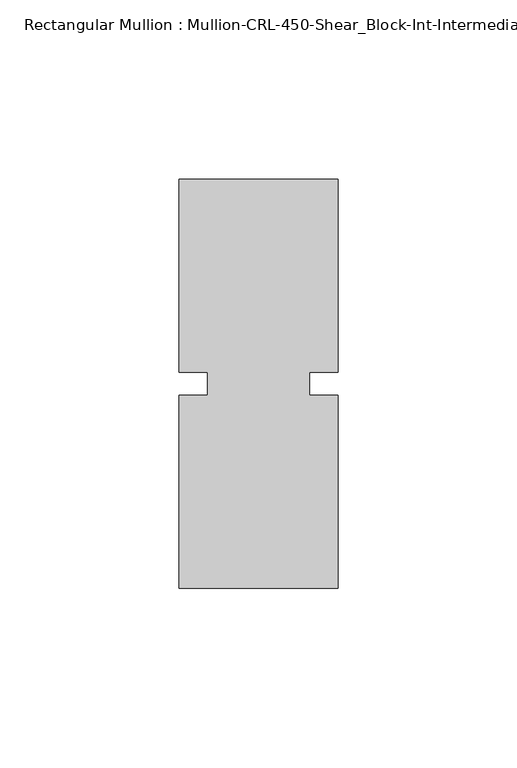
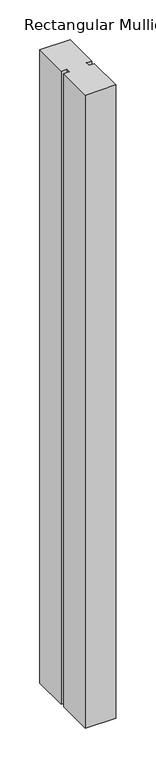
"""IFC4 building model written with IfcOpenShell, lengths in millimetres: member geometry, Rectangular Mullion : Mullion-CRL-450-Shear_Block-Int-Intermediate_Horizontal."""

import ifcopenshell
import ifcopenshell.guid

model = None  # the IFC model being written
_history = None  # IfcOwnerHistory: only IFC2X3 demands one
_inside = {}  # id of a spatial element -> (the spatial element, [elements in it])
_under = {}  # id of a project, library or spatial element -> (it, [spatial elements below it])
_declared = {}  # id of a project -> (the project, [libraries it declares])
_typed = {}  # id of a type object -> (the type object, [elements of that type])
_made_of = {}  # id of a material, layer set ... -> (it, [elements and type objects made of it])


def new_model(schema):
    """Start an empty IFC model of exactly this schema.

    Asked for "IFC4X3", IfcOpenShell would pick the latest addendum, in which some entities
    have other attributes; the version numbers below select the first issue.
    IFC2X3 requires an IfcOwnerHistory on every rooted entity: one is made here for all.
    """
    global model, _history
    if schema == "IFC4X3":
        model = ifcopenshell.file(schema_version=(4, 3, 0, 0))
    else:
        model = ifcopenshell.file(schema=schema)
    _inside.clear()
    _under.clear()
    _declared.clear()
    _typed.clear()
    _made_of.clear()
    _history = None
    if model.schema == "IFC2X3":
        org = make("IfcOrganization", Name="unknown")
        user = make(
            "IfcPersonAndOrganization",
            ThePerson=make("IfcPerson", FamilyName="unknown"),
            TheOrganization=org,
        )
        app = make(
            "IfcApplication",
            ApplicationDeveloper=org,
            Version="unknown",
            ApplicationFullName="unknown",
            ApplicationIdentifier="unknown",
        )
        _history = make(
            "IfcOwnerHistory",
            OwningUser=user,
            OwningApplication=app,
            ChangeAction="ADDED",
            CreationDate=0,
        )
    return model


def make(cls, **values):
    """One entity of the class cls with the attributes given. An attribute that is None is left unset."""
    return model.create_entity(
        cls, **{name: value for name, value in values.items() if value is not None}
    )


def rooted(cls, **values):
    """An entity with a GlobalId (a new one), such as an element, a storey or a relation."""
    return make(cls, GlobalId=ifcopenshell.guid.new(), OwnerHistory=_history, **values)


def si_unit(unit_type, name, prefix=None):
    """IfcSIUnit, for example si_unit("LENGTHUNIT", "METRE", prefix="MILLI")."""
    return make("IfcSIUnit", UnitType=unit_type, Prefix=prefix, Name=name)


def assignment(units):
    """IfcUnitAssignment: the units of a project."""
    return None if units is None else make("IfcUnitAssignment", Units=units)


def point(xyz):
    """IfcCartesianPoint."""
    return None if xyz is None else make("IfcCartesianPoint", Coordinates=xyz)


def direction(xyz):
    """IfcDirection."""
    return None if xyz is None else make("IfcDirection", DirectionRatios=xyz)


def frame(location, z_axis=None, x_axis=None):
    """IfcAxis2Placement3D, a coordinate frame: its origin and axes. An axis left out is left unset."""
    return make(
        "IfcAxis2Placement3D",
        Location=point(location),
        Axis=direction(z_axis),
        RefDirection=direction(x_axis),
    )


def origin():
    """The frame at (0, 0, 0) with its axes left unset."""
    return frame((0.0, 0.0, 0.0))


def place(relative_to, where):
    """IfcLocalPlacement: puts the frame where relative to a parent placement (None: the world)."""
    return make(
        "IfcLocalPlacement", PlacementRelTo=relative_to, RelativePlacement=where
    )


def context(
    kind, dimensions, precision=None, world=None, true_north=None, identifier=None
):
    """IfcGeometricRepresentationContext, for example the 3D "Model" context."""
    return make(
        "IfcGeometricRepresentationContext",
        ContextIdentifier=identifier,
        ContextType=kind,
        CoordinateSpaceDimension=dimensions,
        Precision=precision,
        WorldCoordinateSystem=world,
        TrueNorth=true_north,
    )


def project(units=None, contexts=None):
    """IfcProject with its units and contexts."""
    return rooted(
        "IfcProject",
        Name="project",
        RepresentationContexts=contexts,
        UnitsInContext=assignment(units),
    )


def spatial(cls, under=None, at=None, **own):
    """A site, building, storey or space (cls), placed at a placement, below another one or the project."""
    s = rooted(cls, ObjectPlacement=at, **own)
    if under is not None:
        _under.setdefault(under.id(), (under, []))[1].append(s)
    return s


def polyline(points):
    """IfcPolyline through the points."""
    return make("IfcPolyline", Points=[point(p) for p in points])


def outline(outer, holes=None, kind="AREA"):
    """IfcArbitraryClosedProfileDef: a profile drawn as a closed curve; with holes, ...WithVoids."""
    if holes is None:
        return make("IfcArbitraryClosedProfileDef", ProfileType=kind, OuterCurve=outer)
    return make(
        "IfcArbitraryProfileDefWithVoids",
        ProfileType=kind,
        OuterCurve=outer,
        InnerCurves=holes,
    )


def extrude(swept, where, along, depth):
    """IfcExtrudedAreaSolid: the profile swept, set in the frame where, extruded along a direction by depth."""
    return make(
        "IfcExtrudedAreaSolid",
        SweptArea=swept,
        Position=where,
        ExtrudedDirection=direction(along),
        Depth=depth,
    )


def shape(context_of_items, identifier, shape_type, items):
    """IfcShapeRepresentation: the items that make up one representation, for example the "Body"."""
    return make(
        "IfcShapeRepresentation",
        ContextOfItems=context_of_items,
        RepresentationIdentifier=identifier,
        RepresentationType=shape_type,
        Items=items,
    )


def source(mapping_origin, context_of_items, identifier, shape_type, items):
    """IfcRepresentationMap: a shape defined once, which mapped items show again and again."""
    return make(
        "IfcRepresentationMap",
        MappingOrigin=mapping_origin,
        MappedRepresentation=shape(context_of_items, identifier, shape_type, items),
    )


def transform(
    local_origin,
    x_axis=None,
    y_axis=None,
    z_axis=None,
    scale=None,
    scale2=None,
    scale3=None,
    uniform=True,
):
    """IfcCartesianTransformationOperator3D, or its non-uniform kind. x_axis, y_axis, z_axis: its Axis1, 2, 3."""
    if uniform:
        return make(
            "IfcCartesianTransformationOperator3D",
            Axis1=direction(x_axis),
            Axis2=direction(y_axis),
            LocalOrigin=point(local_origin),
            Scale=scale,
            Axis3=direction(z_axis),
        )
    return make(
        "IfcCartesianTransformationOperator3DnonUniform",
        Axis1=direction(x_axis),
        Axis2=direction(y_axis),
        LocalOrigin=point(local_origin),
        Scale=scale,
        Axis3=direction(z_axis),
        Scale2=scale2,
        Scale3=scale3,
    )


def mapped(mapping_source, mapping_target):
    """IfcMappedItem: shows the shape of a source again, moved by a transform."""
    return make(
        "IfcMappedItem", MappingSource=mapping_source, MappingTarget=mapping_target
    )


def made_of(thing, what):
    """Note that an element or type object is made of a material, layer set ...; save() writes the relation."""
    if what is not None:
        _made_of.setdefault(what.id(), (what, []))[1].append(thing)
    return thing


def element(
    cls,
    number,
    at=None,
    inside=None,
    cuts=None,
    type_object=None,
    material=None,
    context=None,
    identifier="Body",
    shape_type=None,
    held_by="IfcProductDefinitionShape",
    body=None,
    shapes=None,
    **own,
):
    """One element of the class cls, such as IfcWall. Its Tag is "e" and its number.

    at: its placement. inside: the storey or other place that contains it. cuts: it is an
    opening in that element (IfcRelVoidsElement). A single representation is given by context,
    identifier, shape_type and body (its items); several are given by shapes. held_by: the class
    of the entity that holds the representations. save() writes the other relations.
    """
    e = rooted(cls, Tag="e%d" % number, ObjectPlacement=at, **own)
    if body is not None:
        shapes = [shape(context, identifier, shape_type, body)]
    if shapes is not None:
        e.Representation = make(held_by, Representations=shapes)
    if inside is not None:
        _inside.setdefault(inside.id(), (inside, []))[1].append(e)
    if cuts is not None:
        rooted(
            "IfcRelVoidsElement", RelatingBuildingElement=cuts, RelatedOpeningElement=e
        )
    if type_object is not None:
        _typed.setdefault(type_object.id(), (type_object, []))[1].append(e)
    return made_of(e, material)


def aggregate(whole, parts):
    """IfcRelAggregates: a whole, such as a stair, and the parts it consists of."""
    return rooted("IfcRelAggregates", RelatingObject=whole, RelatedObjects=parts)


def save(model, path):
    """Write the relations noted so far, then the file.

    IfcRelAggregates (storeys below a building ...), IfcRelContainedInSpatialStructure (elements
    in a storey), IfcRelDefinesByType, IfcRelAssociatesMaterial and IfcRelDeclares: one each for
    every whole, place, type object, material and project.
    """
    for whole, parts in _under.values():
        aggregate(whole, parts)
    for where, things in _inside.values():
        rooted(
            "IfcRelContainedInSpatialStructure",
            RelatedElements=things,
            RelatingStructure=where,
        )
    for kind, things in _typed.values():
        rooted("IfcRelDefinesByType", RelatedObjects=things, RelatingType=kind)
    for what, things in _made_of.values():
        rooted("IfcRelAssociatesMaterial", RelatedObjects=things, RelatingMaterial=what)
    for by, libraries in _declared.values():
        rooted("IfcRelDeclares", RelatingContext=by, RelatedDefinitions=libraries)
    model.write(path)


def rectangular_mullion_mullion_crl_450_shear_block_int_44bbb2c1(model_context):
    return source(origin(), model_context, "Body", "SweptSolid", [
        extrude(outline(polyline([(-22.2249304, -3.175), (-14.2747305, -3.175), (-14.2747305, 3.175), (-22.2249304, 3.175), (-22.2249304, 57.15), (22.2249304, 57.15), (22.2249304, 3.175), (14.2874304, 3.175), (14.2874304, -3.175), (22.2249304, -3.175), (22.2249304, -57.15), (-22.2249304, -57.15), (-22.2249304, -3.175)])), frame((0.0, 0.0, -971.55), z_axis=(0.0, 0.0, 1.0), x_axis=(1.0, 0.0, 0.0)), (0.0, 0.0, 1.0), 971.55),
    ])


if __name__ == "__main__":
    model = new_model("IFC4")
    model_context = context("Model", 3, world=origin())
    ifc_project = project(units=[si_unit("LENGTHUNIT", "METRE", prefix="MILLI")], contexts=[model_context])
    site = spatial("IfcSite", under=ifc_project)
    building = spatial("IfcBuilding", under=site)
    placement = place(None, origin())
    rectangular_mullion_mullion_crl_450_shear_block_int_shape = rectangular_mullion_mullion_crl_450_shear_block_int_44bbb2c1(model_context)
    element("IfcMember", 1, ObjectType="Rectangular Mullion : Mullion-CRL-450-Shear_Block-Int-Intermediate_Horizontal", at=placement, inside=building, context=model_context, shape_type="MappedRepresentation", body=[
        mapped(rectangular_mullion_mullion_crl_450_shear_block_int_shape, transform((0.0, 0.0, 0.0), x_axis=(1.0, 0.0, 0.0), y_axis=(0.0, 1.0, 0.0), z_axis=(0.0, 0.0, 1.0))),
    ])
    save(model, "model.ifc")
